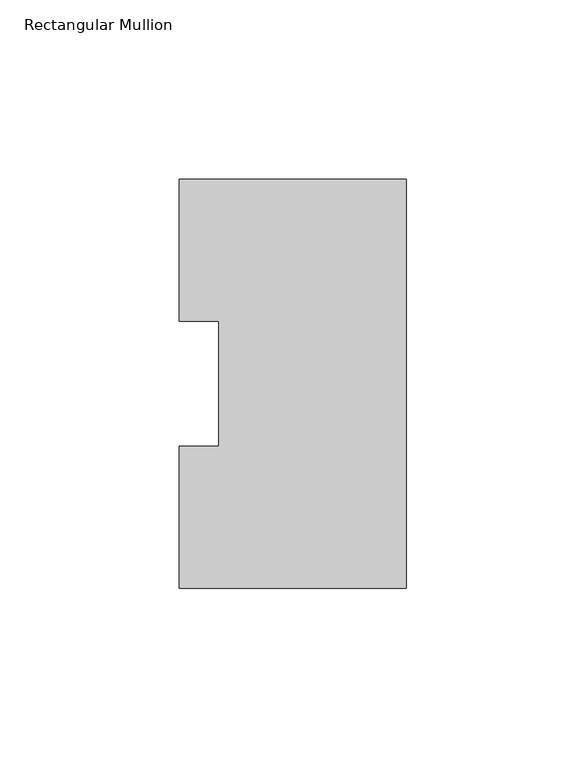
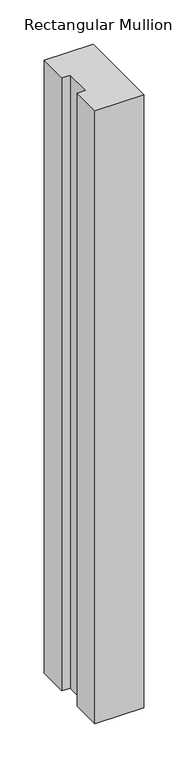
"""IFC4 building model written with IfcOpenShell, lengths in millimetres: member geometry, Rectangular Mullion."""

import ifcopenshell
import ifcopenshell.guid

model = None  # the IFC model being written
_history = None  # IfcOwnerHistory: only IFC2X3 demands one
_inside = {}  # id of a spatial element -> (the spatial element, [elements in it])
_under = {}  # id of a project, library or spatial element -> (it, [spatial elements below it])
_declared = {}  # id of a project -> (the project, [libraries it declares])
_typed = {}  # id of a type object -> (the type object, [elements of that type])
_made_of = {}  # id of a material, layer set ... -> (it, [elements and type objects made of it])


def new_model(schema):
    """Start an empty IFC model of exactly this schema.

    Asked for "IFC4X3", IfcOpenShell would pick the latest addendum, in which some entities
    have other attributes; the version numbers below select the first issue.
    IFC2X3 requires an IfcOwnerHistory on every rooted entity: one is made here for all.
    """
    global model, _history
    if schema == "IFC4X3":
        model = ifcopenshell.file(schema_version=(4, 3, 0, 0))
    else:
        model = ifcopenshell.file(schema=schema)
    _inside.clear()
    _under.clear()
    _declared.clear()
    _typed.clear()
    _made_of.clear()
    _history = None
    if model.schema == "IFC2X3":
        org = make("IfcOrganization", Name="unknown")
        user = make(
            "IfcPersonAndOrganization",
            ThePerson=make("IfcPerson", FamilyName="unknown"),
            TheOrganization=org,
        )
        app = make(
            "IfcApplication",
            ApplicationDeveloper=org,
            Version="unknown",
            ApplicationFullName="unknown",
            ApplicationIdentifier="unknown",
        )
        _history = make(
            "IfcOwnerHistory",
            OwningUser=user,
            OwningApplication=app,
            ChangeAction="ADDED",
            CreationDate=0,
        )
    return model


def make(cls, **values):
    """One entity of the class cls with the attributes given. An attribute that is None is left unset."""
    return model.create_entity(
        cls, **{name: value for name, value in values.items() if value is not None}
    )


def rooted(cls, **values):
    """An entity with a GlobalId (a new one), such as an element, a storey or a relation."""
    return make(cls, GlobalId=ifcopenshell.guid.new(), OwnerHistory=_history, **values)


def si_unit(unit_type, name, prefix=None):
    """IfcSIUnit, for example si_unit("LENGTHUNIT", "METRE", prefix="MILLI")."""
    return make("IfcSIUnit", UnitType=unit_type, Prefix=prefix, Name=name)


def assignment(units):
    """IfcUnitAssignment: the units of a project."""
    return None if units is None else make("IfcUnitAssignment", Units=units)


def point(xyz):
    """IfcCartesianPoint."""
    return None if xyz is None else make("IfcCartesianPoint", Coordinates=xyz)


def direction(xyz):
    """IfcDirection."""
    return None if xyz is None else make("IfcDirection", DirectionRatios=xyz)


def frame(location, z_axis=None, x_axis=None):
    """IfcAxis2Placement3D, a coordinate frame: its origin and axes. An axis left out is left unset."""
    return make(
        "IfcAxis2Placement3D",
        Location=point(location),
        Axis=direction(z_axis),
        RefDirection=direction(x_axis),
    )


def origin():
    """The frame at (0, 0, 0) with its axes left unset."""
    return frame((0.0, 0.0, 0.0))


def place(relative_to, where):
    """IfcLocalPlacement: puts the frame where relative to a parent placement (None: the world)."""
    return make(
        "IfcLocalPlacement", PlacementRelTo=relative_to, RelativePlacement=where
    )


def context(
    kind, dimensions, precision=None, world=None, true_north=None, identifier=None
):
    """IfcGeometricRepresentationContext, for example the 3D "Model" context."""
    return make(
        "IfcGeometricRepresentationContext",
        ContextIdentifier=identifier,
        ContextType=kind,
        CoordinateSpaceDimension=dimensions,
        Precision=precision,
        WorldCoordinateSystem=world,
        TrueNorth=true_north,
    )


def project(units=None, contexts=None):
    """IfcProject with its units and contexts."""
    return rooted(
        "IfcProject",
        Name="project",
        RepresentationContexts=contexts,
        UnitsInContext=assignment(units),
    )


def spatial(cls, under=None, at=None, **own):
    """A site, building, storey or space (cls), placed at a placement, below another one or the project."""
    s = rooted(cls, ObjectPlacement=at, **own)
    if under is not None:
        _under.setdefault(under.id(), (under, []))[1].append(s)
    return s


def polyline(points):
    """IfcPolyline through the points."""
    return make("IfcPolyline", Points=[point(p) for p in points])


def outline(outer, holes=None, kind="AREA"):
    """IfcArbitraryClosedProfileDef: a profile drawn as a closed curve; with holes, ...WithVoids."""
    if holes is None:
        return make("IfcArbitraryClosedProfileDef", ProfileType=kind, OuterCurve=outer)
    return make(
        "IfcArbitraryProfileDefWithVoids",
        ProfileType=kind,
        OuterCurve=outer,
        InnerCurves=holes,
    )


def extrude(swept, where, along, depth):
    """IfcExtrudedAreaSolid: the profile swept, set in the frame where, extruded along a direction by depth."""
    return make(
        "IfcExtrudedAreaSolid",
        SweptArea=swept,
        Position=where,
        ExtrudedDirection=direction(along),
        Depth=depth,
    )


def shape(context_of_items, identifier, shape_type, items):
    """IfcShapeRepresentation: the items that make up one representation, for example the "Body"."""
    return make(
        "IfcShapeRepresentation",
        ContextOfItems=context_of_items,
        RepresentationIdentifier=identifier,
        RepresentationType=shape_type,
        Items=items,
    )


def source(mapping_origin, context_of_items, identifier, shape_type, items):
    """IfcRepresentationMap: a shape defined once, which mapped items show again and again."""
    return make(
        "IfcRepresentationMap",
        MappingOrigin=mapping_origin,
        MappedRepresentation=shape(context_of_items, identifier, shape_type, items),
    )


def transform(
    local_origin,
    x_axis=None,
    y_axis=None,
    z_axis=None,
    scale=None,
    scale2=None,
    scale3=None,
    uniform=True,
):
    """IfcCartesianTransformationOperator3D, or its non-uniform kind. x_axis, y_axis, z_axis: its Axis1, 2, 3."""
    if uniform:
        return make(
            "IfcCartesianTransformationOperator3D",
            Axis1=direction(x_axis),
            Axis2=direction(y_axis),
            LocalOrigin=point(local_origin),
            Scale=scale,
            Axis3=direction(z_axis),
        )
    return make(
        "IfcCartesianTransformationOperator3DnonUniform",
        Axis1=direction(x_axis),
        Axis2=direction(y_axis),
        LocalOrigin=point(local_origin),
        Scale=scale,
        Axis3=direction(z_axis),
        Scale2=scale2,
        Scale3=scale3,
    )


def mapped(mapping_source, mapping_target):
    """IfcMappedItem: shows the shape of a source again, moved by a transform."""
    return make(
        "IfcMappedItem", MappingSource=mapping_source, MappingTarget=mapping_target
    )


def made_of(thing, what):
    """Note that an element or type object is made of a material, layer set ...; save() writes the relation."""
    if what is not None:
        _made_of.setdefault(what.id(), (what, []))[1].append(thing)
    return thing


def element(
    cls,
    number,
    at=None,
    inside=None,
    cuts=None,
    type_object=None,
    material=None,
    context=None,
    identifier="Body",
    shape_type=None,
    held_by="IfcProductDefinitionShape",
    body=None,
    shapes=None,
    **own,
):
    """One element of the class cls, such as IfcWall. Its Tag is "e" and its number.

    at: its placement. inside: the storey or other place that contains it. cuts: it is an
    opening in that element (IfcRelVoidsElement). A single representation is given by context,
    identifier, shape_type and body (its items); several are given by shapes. held_by: the class
    of the entity that holds the representations. save() writes the other relations.
    """
    e = rooted(cls, Tag="e%d" % number, ObjectPlacement=at, **own)
    if body is not None:
        shapes = [shape(context, identifier, shape_type, body)]
    if shapes is not None:
        e.Representation = make(held_by, Representations=shapes)
    if inside is not None:
        _inside.setdefault(inside.id(), (inside, []))[1].append(e)
    if cuts is not None:
        rooted(
            "IfcRelVoidsElement", RelatingBuildingElement=cuts, RelatedOpeningElement=e
        )
    if type_object is not None:
        _typed.setdefault(type_object.id(), (type_object, []))[1].append(e)
    return made_of(e, material)


def aggregate(whole, parts):
    """IfcRelAggregates: a whole, such as a stair, and the parts it consists of."""
    return rooted("IfcRelAggregates", RelatingObject=whole, RelatedObjects=parts)


def save(model, path):
    """Write the relations noted so far, then the file.

    IfcRelAggregates (storeys below a building ...), IfcRelContainedInSpatialStructure (elements
    in a storey), IfcRelDefinesByType, IfcRelAssociatesMaterial and IfcRelDeclares: one each for
    every whole, place, type object, material and project.
    """
    for whole, parts in _under.values():
        aggregate(whole, parts)
    for where, things in _inside.values():
        rooted(
            "IfcRelContainedInSpatialStructure",
            RelatedElements=things,
            RelatingStructure=where,
        )
    for kind, things in _typed.values():
        rooted("IfcRelDefinesByType", RelatedObjects=things, RelatingType=kind)
    for what, things in _made_of.values():
        rooted("IfcRelAssociatesMaterial", RelatedObjects=things, RelatingMaterial=what)
    for by, libraries in _declared.values():
        rooted("IfcRelDeclares", RelatingContext=by, RelatedDefinitions=libraries)
    model.write(path)


def rectangular_mullion_03ab1d2b(model_context):
    return source(origin(), model_context, "Body", "SweptSolid", [
        extrude(outline(polyline([(0.0, 114.271425), (0.0, -0.028575), (-63.5, -0.028575), (-63.5, 39.646225), (-52.3875, 39.646225), (-52.3875, 74.596625), (-63.5, 74.596625), (-63.5, 114.271425), (0.0, 114.271425)])), frame((0.0, 0.0, -844.55), z_axis=(0.0, 0.0, 1.0), x_axis=(1.0, 0.0, 0.0)), (0.0, 0.0, 1.0), 844.55),
    ])


if __name__ == "__main__":
    model = new_model("IFC4")
    model_context = context("Model", 3, world=origin())
    ifc_project = project(units=[si_unit("LENGTHUNIT", "METRE", prefix="MILLI")], contexts=[model_context])
    site = spatial("IfcSite", under=ifc_project)
    building = spatial("IfcBuilding", under=site)
    placement = place(None, origin())
    rectangular_mullion_shape = rectangular_mullion_03ab1d2b(model_context)
    element("IfcMember", 1, ObjectType="Rectangular Mullion", at=placement, inside=building, context=model_context, shape_type="MappedRepresentation", body=[
        mapped(rectangular_mullion_shape, transform((0.0, 0.0, 0.0), x_axis=(1.0, 0.0, 0.0), y_axis=(0.0, 1.0, 0.0), z_axis=(0.0, 0.0, 1.0))),
    ])
    save(model, "model.ifc")
